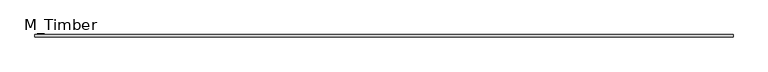
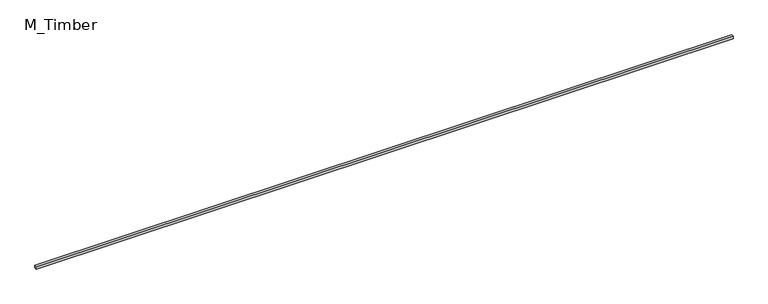
"""IFC4 building model written with IfcOpenShell, lengths in millimetres: beam geometry, M_Timber."""

from ifc_helpers import new_model, si_unit, frame, origin, place, context, project, spatial, polyline, outline, extrude, source, transform, mapped, element, save


def m_timber_7ce3ca98(model_context):
    return source(origin(), model_context, "Body", "SweptSolid", [
        extrude(outline(polyline([(5395.2293304, 20.0), (5395.2293304, -20.0), (-5395.2293304, -20.0), (-5395.2293304, 20.0), (5395.2293304, 20.0)])), frame((0.0, 0.0, -20.0), z_axis=(0.0, 0.0, 1.0), x_axis=(1.0, 0.0, 0.0)), (0.0, 0.0, 1.0), 40.0),
    ])


if __name__ == "__main__":
    model = new_model("IFC4")
    model_context = context("Model", 3, world=origin())
    ifc_project = project(units=[si_unit("LENGTHUNIT", "METRE", prefix="MILLI")], contexts=[model_context])
    site = spatial("IfcSite", under=ifc_project)
    building = spatial("IfcBuilding", under=site)
    placement = place(None, origin())
    m_timber_shape = m_timber_7ce3ca98(model_context)
    element("IfcBeam", 1, ObjectType="M_Timber", at=placement, inside=building, context=model_context, shape_type="MappedRepresentation", body=[
        mapped(m_timber_shape, transform((0.0, 0.0, 0.0), x_axis=(1.0, 0.0, 0.0), y_axis=(0.0, 1.0, 0.0), z_axis=(0.0, 0.0, 1.0))),
    ])
    save(model, "model.ifc")
